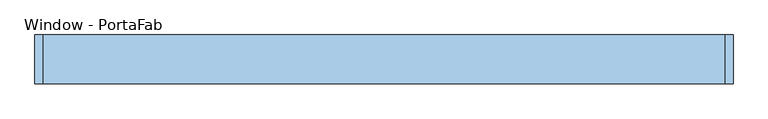
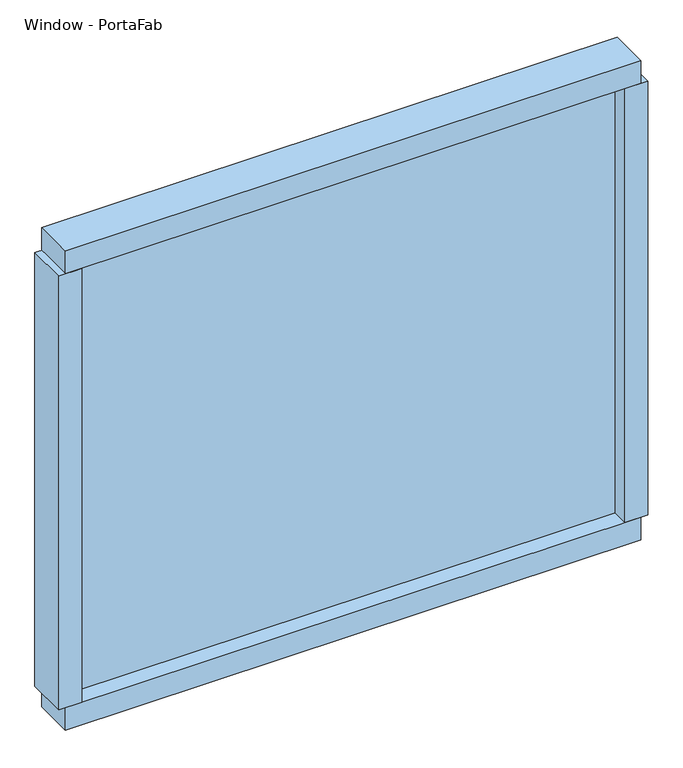
"""IFC4 building model written with IfcOpenShell, lengths in millimetres: window geometry, Window - PortaFab."""

from ifc_helpers import new_model, si_unit, frame, origin, place, context, project, spatial, polyline, outline, extrude, source, transform, mapped, element, save


def window_portafab_402c1e3c(model_context):
    return source(origin(), model_context, "Body", "SweptSolid", [
        extrude(outline(polyline([(515.9375, -6.35), (-490.5375, -6.35), (-490.5375, 0.0), (515.9375, 0.0), (515.9375, -6.35)])), frame((0.0, 0.0, 1104.9), z_axis=(0.0, 0.0, 1.0), x_axis=(1.0, 0.0, 0.0)), (0.0, 0.0, 1.0), 850.9),
        extrude(outline(polyline([(558.8, -38.1), (515.9375, -38.1), (515.9375, 38.1), (558.8, 38.1), (558.8, -38.1)])), frame((0.0, 0.0, 1104.9), z_axis=(0.0, 0.0, 1.0), x_axis=(1.0, 0.0, 0.0)), (0.0, 0.0, 1.0), 850.9),
        extrude(outline(polyline([(-490.5375, -38.1), (-533.4, -38.1), (-533.4, 38.1), (-490.5375, 38.1), (-490.5375, -38.1)])), frame((0.0, 0.0, 1104.9), z_axis=(0.0, 0.0, 1.0), x_axis=(1.0, 0.0, 0.0)), (0.0, 0.0, 1.0), 850.9),
        extrude(outline(polyline([(546.1, -38.1), (-520.7, -38.1), (-520.7, 38.1), (546.1, 38.1), (546.1, -38.1)])), frame((0.0, 0.0, 1060.45), z_axis=(0.0, 0.0, 1.0), x_axis=(1.0, 0.0, 0.0)), (0.0, 0.0, 1.0), 44.45),
        extrude(outline(polyline([(546.1, -38.1), (-520.7, -38.1), (-520.7, 38.1), (546.1, 38.1), (546.1, -38.1)])), frame((0.0, 0.0, 1955.8), z_axis=(0.0, 0.0, 1.0), x_axis=(1.0, 0.0, 0.0)), (0.0, 0.0, 1.0), 44.45),
    ])


if __name__ == "__main__":
    model = new_model("IFC4")
    model_context = context("Model", 3, world=origin())
    ifc_project = project(units=[si_unit("LENGTHUNIT", "METRE", prefix="MILLI")], contexts=[model_context])
    site = spatial("IfcSite", under=ifc_project)
    building = spatial("IfcBuilding", under=site)
    placement = place(None, origin())
    window_portafab_shape = window_portafab_402c1e3c(model_context)
    element("IfcWindow", 1, ObjectType="Window - PortaFab", at=placement, inside=building, context=model_context, shape_type="MappedRepresentation", body=[
        mapped(window_portafab_shape, transform((0.0, 0.0, 0.0), x_axis=(1.0, 0.0, 0.0), y_axis=(0.0, 1.0, 0.0), z_axis=(0.0, 0.0, 1.0))),
    ])
    save(model, "model.ifc")
